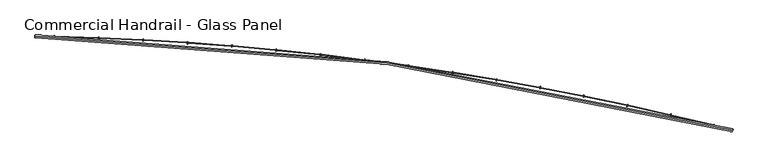
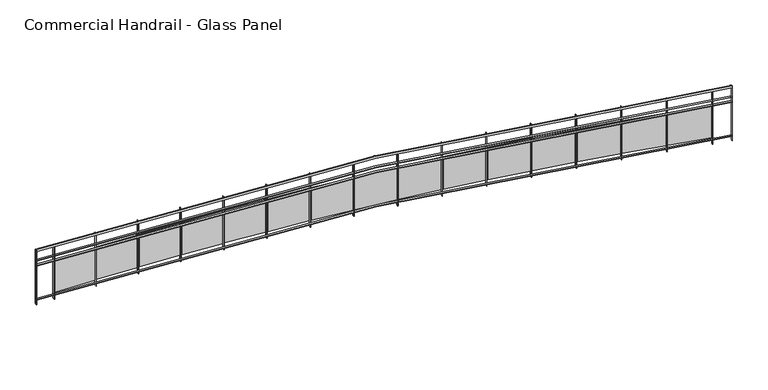
"""IFC4 building model written with IfcOpenShell, lengths in millimetres: railing geometry, Commercial Handrail - Glass Panel."""

from ifc_helpers import new_model, si_unit, point, frame, origin, place, context, project, spatial, polyline, circle_curve, ellipse_curve, trimmed, outline, extrude, source, transform, mapped, element, save
from ifc_brep_helpers import plane_surface, cylinder_surface, revolved_surface, advanced_brep


def commercial_handrail_glass_panel_f28d6970(model_context):
    return source(origin(), model_context, "Body", "SolidModel", [
        advanced_brep(
        [(127651.4463587, -32615.5815285, 19682.5), (140199.431702, -34306.4790783, 19682.5), (140199.431702, -34306.4790783, 19717.5), (127651.4463587, -32615.5815285, 19717.5)],
        [
            (0, 1, circle_curve(frame((126699.3049554, -87085.4645407, 19682.5), z_axis=(0.0, 0.0, -1.0), x_axis=(0.24780785186476648, 0.9688092013158061, 0.0)), 54478.2041611)),
            (1, 2, ellipse_curve(frame((140199.431702, -34306.4790783, 19700.0), z_axis=(-0.9688092013158076, 0.2478078518647603, 0.0), x_axis=(0.2478078518647603, 0.9688092013158076, 0.0)), 25.0, 17.5)),
            (2, 3, circle_curve(frame((126699.3049554, -87085.4645407, 19717.5), z_axis=(0.0, 0.0, 1.0), x_axis=(0.24780785186476648, 0.9688092013158061, 0.0)), 54478.2041611)),
            (3, 0, ellipse_curve(frame((127651.4463587, -32615.5815285, 19700.0), z_axis=(0.9998472572840302, -0.01747747411963002, 0.0), x_axis=(0.01747747411963002, 0.9998472572840302, 0.0)), 25.0, 17.5)),
            (2, 1, ellipse_curve(frame((140199.431702, -34306.4790783, 19700.0), z_axis=(-0.9688092013158076, 0.2478078518647603, 0.0), x_axis=(0.2478078518647603, 0.9688092013158076, 0.0)), 25.0, 17.5)),
            (0, 3, ellipse_curve(frame((127651.4463587, -32615.5815285, 19700.0), z_axis=(0.9998472572840302, -0.01747747411963002, 0.0), x_axis=(0.01747747411963002, 0.9998472572840302, 0.0)), 25.0, 17.5)),
        ],
        [
            revolved_surface(trimmed(ellipse_curve(frame((140199.431702, -34306.4790783, 19700.0), z_axis=(0.9688092013158061, -0.24780785186476648, 0.0), x_axis=(0.0, 0.0, -1.0)), 17.5, 25.0), [point((140199.431702, -34306.4790783, 19717.5))], [point((140199.431702, -34306.4790783, 19682.5))], True, "CARTESIAN"), (126699.3049554, -87085.4645407, 19700.0), (0.0, 0.0, 1.0)),
            revolved_surface(trimmed(ellipse_curve(frame((140199.431702, -34306.4790783, 19700.0), z_axis=(0.9688092013158061, -0.24780785186476648, 0.0), x_axis=(0.0, 0.0, -1.0)), 17.5, 25.0), [point((140199.431702, -34306.4790783, 19682.5))], [point((140199.431702, -34306.4790783, 19717.5))], True, "CARTESIAN"), (126699.3049554, -87085.4645407, 19700.0), (0.0, 0.0, 1.0)),
            plane_surface(frame((140199.431702, -34306.4790783, 19700.0), z_axis=(0.9688092013158061, -0.24780785186476648, 0.0), x_axis=(0.24780785186476648, 0.9688092013158061, 0.0))),
            plane_surface(frame((127651.4463587, -32615.5815285, 19700.0), z_axis=(-0.9998472572840302, 0.01747747411963012, 0.0), x_axis=(0.01747747411963012, 0.9998472572840302, 0.0))),
        ],
        [
            (0, [[1, 2, 3, 4]]),
            (1, [[-3, 5, -1, 6]]),
            (2, [[-2, -5]]),
            (3, [[-6, -4]]),
        ],
    ),
        advanced_brep(
        [(127651.0531155, -32638.0780917, 19500.0), (140193.8560253, -34328.2772853, 19500.0), (140205.0073787, -34284.6808712, 19500.0), (127651.8396019, -32593.0849652, 19500.0), (127651.0531155, -32638.0780917, 19494.0), (140193.8560253, -34328.2772853, 19494.0), (127651.8396019, -32593.0849652, 19494.0), (140205.0073787, -34284.6808712, 19494.0)],
        [
            (0, 1, circle_curve(frame((126699.3049554, -87085.4645407, 19500.0), z_axis=(0.0, 0.0, -1.0), x_axis=(0.24780785186476648, 0.9688092013158061, 0.0)), 54455.7041611)),
            (1, 2),
            (2, 3, circle_curve(frame((126699.3049554, -87085.4645407, 19500.0), z_axis=(0.0, 0.0, 1.0), x_axis=(0.24780785186476648, 0.9688092013158061, 0.0)), 54500.7041611)),
            (3, 0),
            (4, 5, circle_curve(frame((126699.3049554, -87085.4645407, 19494.0), z_axis=(0.0, 0.0, -1.0), x_axis=(0.24780785186476648, 0.9688092013158061, 0.0)), 54455.7041611)),
            (5, 1),
            (0, 4),
            (6, 7, circle_curve(frame((126699.3049554, -87085.4645407, 19494.0), z_axis=(0.0, 0.0, -1.0), x_axis=(0.24780785186476648, 0.9688092013158061, 0.0)), 54500.7041611)),
            (7, 5),
            (4, 6),
            (2, 7),
            (6, 3),
        ],
        [
            plane_surface(frame((126699.3049554, -87085.4645407, 19500.0), z_axis=(0.0, 0.0, 1.0000000000000002), x_axis=(0.24780785186476648, 0.9688092013158061, 0.0))),
            revolved_surface(polyline([(140193.85602534542, -34328.2772852949, 19500.0), (140193.85602534542, -34328.2772852949, 19494.0)]), (126699.3049554, -87085.4645407, 19500.0), (0.0, 0.0, 1.0)),
            plane_surface(frame((126699.3049554, -87085.4645407, 19494.0), z_axis=(0.0, 0.0, -1.0000000000000002), x_axis=(0.24780785186476648, 0.9688092013158061, 0.0))),
            cylinder_surface(frame((126699.3049554, -87085.4645407, 19500.0), z_axis=(0.0, 0.0, 1.0), x_axis=(0.24780785186476648, 0.9688092013158061, 0.0)), 54500.7041611),
            plane_surface(frame((140199.431702, -34306.4790783, 19500.0), z_axis=(0.9688092013158061, -0.24780785186476648, 0.0), x_axis=(0.24780785186476648, 0.9688092013158061, 0.0))),
            plane_surface(frame((127651.4463587, -32615.5815285, 19500.0), z_axis=(-0.9998472572840302, 0.01747747411963012, 0.0), x_axis=(0.01747747411963012, 0.9998472572840302, 0.0))),
        ],
        [
            (0, [[1, 2, 3, 4]]),
            (1, [[5, 6, -1, 7]]),
            (2, [[8, 9, -5, 10]]),
            (3, [[-3, 11, -8, 12]]),
            (4, [[-2, -6, -9, -11]]),
            (5, [[-12, -10, -7, -4]]),
        ],
    ),
        advanced_brep(
        [(127651.0531155, -32638.0780917, 19400.0), (140193.8560253, -34328.2772853, 19400.0), (140205.0073787, -34284.6808712, 19400.0), (127651.8396019, -32593.0849652, 19400.0), (127651.0531155, -32638.0780917, 19394.0), (140193.8560253, -34328.2772853, 19394.0), (127651.8396019, -32593.0849652, 19394.0), (140205.0073787, -34284.6808712, 19394.0)],
        [
            (0, 1, circle_curve(frame((126699.3049554, -87085.4645407, 19400.0), z_axis=(0.0, 0.0, -1.0), x_axis=(0.24780785186476648, 0.9688092013158061, 0.0)), 54455.7041611)),
            (1, 2),
            (2, 3, circle_curve(frame((126699.3049554, -87085.4645407, 19400.0), z_axis=(0.0, 0.0, 1.0), x_axis=(0.24780785186476648, 0.9688092013158061, 0.0)), 54500.7041611)),
            (3, 0),
            (4, 5, circle_curve(frame((126699.3049554, -87085.4645407, 19394.0), z_axis=(0.0, 0.0, -1.0), x_axis=(0.24780785186476648, 0.9688092013158061, 0.0)), 54455.7041611)),
            (5, 1),
            (0, 4),
            (6, 7, circle_curve(frame((126699.3049554, -87085.4645407, 19394.0), z_axis=(0.0, 0.0, -1.0), x_axis=(0.24780785186476648, 0.9688092013158061, 0.0)), 54500.7041611)),
            (7, 5),
            (4, 6),
            (2, 7),
            (6, 3),
        ],
        [
            plane_surface(frame((126699.3049554, -87085.4645407, 19400.0), z_axis=(0.0, 0.0, 1.0000000000000002), x_axis=(0.24780785186476648, 0.9688092013158061, 0.0))),
            revolved_surface(polyline([(140193.85602534542, -34328.2772852949, 19400.0), (140193.85602534542, -34328.2772852949, 19394.0)]), (126699.3049554, -87085.4645407, 19400.0), (0.0, 0.0, 1.0)),
            plane_surface(frame((126699.3049554, -87085.4645407, 19394.0), z_axis=(0.0, 0.0, -1.0000000000000002), x_axis=(0.24780785186476648, 0.9688092013158061, 0.0))),
            cylinder_surface(frame((126699.3049554, -87085.4645407, 19400.0), z_axis=(0.0, 0.0, 1.0), x_axis=(0.24780785186476648, 0.9688092013158061, 0.0)), 54500.7041611),
            plane_surface(frame((140199.431702, -34306.4790783, 19400.0), z_axis=(0.9688092013158061, -0.24780785186476648, 0.0), x_axis=(0.24780785186476648, 0.9688092013158061, 0.0))),
            plane_surface(frame((127651.4463587, -32615.5815285, 19400.0), z_axis=(-0.9998472572840302, 0.01747747411963012, 0.0), x_axis=(0.01747747411963012, 0.9998472572840302, 0.0))),
        ],
        [
            (0, [[1, 2, 3, 4]]),
            (1, [[5, 6, -1, 7]]),
            (2, [[8, 9, -5, 10]]),
            (3, [[-3, 11, -8, 12]]),
            (4, [[-2, -6, -9, -11]]),
            (5, [[-12, -10, -7, -4]]),
        ],
    ),
        advanced_brep(
        [(127651.0531155, -32638.0780917, 18700.0), (140193.8560253, -34328.2772853, 18700.0), (140205.0073787, -34284.6808712, 18700.0), (127651.8396019, -32593.0849652, 18700.0), (127651.0531155, -32638.0780917, 18694.0), (140193.8560253, -34328.2772853, 18694.0), (127651.8396019, -32593.0849652, 18694.0), (140205.0073787, -34284.6808712, 18694.0)],
        [
            (0, 1, circle_curve(frame((126699.3049554, -87085.4645407, 18700.0), z_axis=(0.0, 0.0, -1.0), x_axis=(0.24780785186476648, 0.9688092013158061, 0.0)), 54455.7041611)),
            (1, 2),
            (2, 3, circle_curve(frame((126699.3049554, -87085.4645407, 18700.0), z_axis=(0.0, 0.0, 1.0), x_axis=(0.24780785186476648, 0.9688092013158061, 0.0)), 54500.7041611)),
            (3, 0),
            (4, 5, circle_curve(frame((126699.3049554, -87085.4645407, 18694.0), z_axis=(0.0, 0.0, -1.0), x_axis=(0.24780785186476648, 0.9688092013158061, 0.0)), 54455.7041611)),
            (5, 1),
            (0, 4),
            (6, 7, circle_curve(frame((126699.3049554, -87085.4645407, 18694.0), z_axis=(0.0, 0.0, -1.0), x_axis=(0.24780785186476648, 0.9688092013158061, 0.0)), 54500.7041611)),
            (7, 5),
            (4, 6),
            (2, 7),
            (6, 3),
        ],
        [
            plane_surface(frame((126699.3049554, -87085.4645407, 18700.0), z_axis=(0.0, 0.0, 1.0000000000000002), x_axis=(0.24780785186476648, 0.9688092013158061, 0.0))),
            revolved_surface(polyline([(140193.85602534542, -34328.2772852949, 18700.0), (140193.85602534542, -34328.2772852949, 18694.0)]), (126699.3049554, -87085.4645407, 18700.0), (0.0, 0.0, 1.0)),
            plane_surface(frame((126699.3049554, -87085.4645407, 18694.0), z_axis=(0.0, 0.0, -1.0000000000000002), x_axis=(0.24780785186476648, 0.9688092013158061, 0.0))),
            cylinder_surface(frame((126699.3049554, -87085.4645407, 18700.0), z_axis=(0.0, 0.0, 1.0), x_axis=(0.24780785186476648, 0.9688092013158061, 0.0)), 54500.7041611),
            plane_surface(frame((140199.431702, -34306.4790783, 18700.0), z_axis=(0.9688092013158061, -0.24780785186476648, 0.0), x_axis=(0.24780785186476648, 0.9688092013158061, 0.0))),
            plane_surface(frame((127651.4463587, -32615.5815285, 18700.0), z_axis=(-0.9998472572840302, 0.01747747411963012, 0.0), x_axis=(0.01747747411963012, 0.9998472572840302, 0.0))),
        ],
        [
            (0, [[1, 2, 3, 4]]),
            (1, [[5, 6, -1, 7]]),
            (2, [[8, 9, -5, 10]]),
            (3, [[-3, 11, -8, 12]]),
            (4, [[-2, -6, -9, -11]]),
            (5, [[-12, -10, -7, -4]]),
        ],
    ),
        extrude(outline(polyline([(127999.9429631, -32600.2821162), (127998.871532, -32645.2693592), (127992.873233, -32645.1265018), (127993.944664, -32600.1392587), (127999.9429631, -32600.2821162)])), frame((0.0, 0.0, 18600.0), z_axis=(0.0, 0.0, 1.0), x_axis=(1.0, 0.0, 0.0)), (0.0, 0.0, 1.0), 1082.1192282),
        extrude(outline(polyline([(128775.8848547, -32651.5298851), (128016.2536473, -32627.856511), (128016.6274374, -32615.8623341), (128776.2586449, -32639.5357081), (128775.8848547, -32651.5298851)])), frame((0.0, 0.0, 18720.0), z_axis=(0.0, 0.0, 1.0), x_axis=(1.0, 0.0, 0.0)), (0.0, 0.0, 1.0), 660.0),
        extrude(outline(polyline([(128799.8764477, -32625.2555578), (128798.1445285, -32670.2222172), (128792.1489739, -32669.9912946), (128793.8808931, -32625.0246352), (128799.8764477, -32625.2555578)])), frame((0.0, 0.0, 18600.0), z_axis=(0.0, 0.0, 1.0), x_axis=(1.0, 0.0, 0.0)), (0.0, 0.0, 1.0), 1082.1192282),
        extrude(outline(polyline([(129574.982143, -32687.8919213), (128815.7804641, -32653.0664896), (128816.3303393, -32641.0790947), (129575.5320183, -32675.9045264), (129574.982143, -32687.8919213)])), frame((0.0, 0.0, 18720.0), z_axis=(0.0, 0.0, 1.0), x_axis=(1.0, 0.0, 0.0)), (0.0, 0.0, 1.0), 660.0),
        extrude(outline(polyline([(129599.3569679, -32661.9727253), (129596.964934, -32706.9091045), (129590.9734168, -32706.5901666), (129593.3654507, -32661.6537874), (129599.3569679, -32661.9727253)])), frame((0.0, 0.0, 18600.0), z_axis=(0.0, 0.0, 1.0), x_axis=(1.0, 0.0, 0.0)), (0.0, 0.0, 1.0), 1082.1192282),
        extrude(outline(polyline([(130373.4593242, -32735.9841766), (129614.850887, -32690.014197), (129615.5767288, -32678.0361691), (130374.185166, -32724.0061487), (130373.4593242, -32735.9841766)])), frame((0.0, 0.0, 18720.0), z_axis=(0.0, 0.0, 1.0), x_axis=(1.0, 0.0, 0.0)), (0.0, 0.0, 1.0), 660.0),
        extrude(outline(polyline([(130398.2121248, -32710.4257011), (130395.160492, -32755.3221101), (130389.1743042, -32754.9152257), (130392.2259369, -32710.0188167), (130398.2121248, -32710.4257011)])), frame((0.0, 0.0, 18600.0), z_axis=(0.0, 0.0, 1.0), x_axis=(1.0, 0.0, 0.0)), (0.0, 0.0, 1.0), 1082.1192282),
        extrude(outline(polyline([(131171.1442157, -32795.7962805), (130413.2926055, -32738.6916659), (130414.1942573, -32726.7255879), (131172.0458675, -32783.8302025), (131171.1442157, -32795.7962805)])), frame((0.0, 0.0, 18720.0), z_axis=(0.0, 0.0, 1.0), x_axis=(1.0, 0.0, 0.0)), (0.0, 0.0, 1.0), 660.0),
        extrude(outline(polyline([(131196.2696543, -32770.6040368), (131192.5590808, -32815.4507942), (131186.5795131, -32814.956051), (131190.2900867, -32770.1092937), (131196.2696543, -32770.6040368)])), frame((0.0, 0.0, 18600.0), z_axis=(0.0, 0.0, 1.0), x_axis=(1.0, 0.0, 0.0)), (0.0, 0.0, 1.0), 1082.1192282),
        extrude(outline(polyline([(131967.8648058, -32867.3153352), (131210.9334448, -32799.0883995), (131212.0107122, -32787.1368517), (131968.9420732, -32855.3637874), (131967.8648058, -32867.3153352)])), frame((0.0, 0.0, 18720.0), z_axis=(0.0, 0.0, 1.0), x_axis=(1.0, 0.0, 0.0)), (0.0, 0.0, 1.0), 660.0),
        extrude(outline(polyline([(131993.3574644, -32842.4947558), (131988.9887502, -32887.2821908), (131983.0170922, -32886.6996956), (131987.3858064, -32841.9122605), (131993.3574644, -32842.4947558)])), frame((0.0, 0.0, 18600.0), z_axis=(0.0, 0.0, 1.0), x_axis=(1.0, 0.0, 0.0)), (0.0, 0.0, 1.0), 1082.1192282),
        extrude(outline(polyline([(132763.4492907, -32950.5259183), (132007.6014025, -32871.191374), (132008.8540532, -32859.2569336), (132764.7019414, -32938.591478), (132763.4492907, -32950.5259183)])), frame((0.0, 0.0, 18720.0), z_axis=(0.0, 0.0, 1.0), x_axis=(1.0, 0.0, 0.0)), (0.0, 0.0, 1.0), 660.0),
        extrude(outline(polyline([(132789.3036722, -32926.0823555), (132784.2777594, -32970.8008103), (132778.3152988, -32970.1306886), (132783.3412116, -32925.4122338), (132789.3036722, -32926.0823555)])), frame((0.0, 0.0, 18600.0), z_axis=(0.0, 0.0, 1.0), x_axis=(1.0, 0.0, 0.0)), (0.0, 0.0, 1.0), 1082.1192282),
        extrude(outline(polyline([(133557.7261118, -33045.4100865), (132803.1246864, -32954.9850411), (132804.5524503, -32943.0702817), (133559.1538757, -33033.4953272), (133557.7261118, -33045.4100865)])), frame((0.0, 0.0, 18720.0), z_axis=(0.0, 0.0, 1.0), x_axis=(1.0, 0.0, 0.0)), (0.0, 0.0, 1.0), 660.0),
        extrude(outline(polyline([(133583.9366409, -33021.3488112), (133578.2546133, -33065.9886428), (133572.3026358, -33065.2310391), (133577.9846634, -33020.5912075), (133583.9366409, -33021.3488112)])), frame((0.0, 0.0, 18600.0), z_axis=(0.0, 0.0, 1.0), x_axis=(1.0, 0.0, 0.0)), (0.0, 0.0, 1.0), 1082.1192282),
        extrude(outline(polyline([(134350.5239922, -33151.9473791), (133597.3317509, -33050.4513317), (133598.93432, -33038.5588226), (134352.1265613, -33140.05487), (134350.5239922, -33151.9473791)])), frame((0.0, 0.0, 18720.0), z_axis=(0.0, 0.0, 1.0), x_axis=(1.0, 0.0, 0.0)), (0.0, 0.0, 1.0), 660.0),
        extrude(outline(polyline([(134377.085017, -33128.2735799), (134370.7480998, -33172.8251621), (134364.8078888, -33171.9802398), (134371.144806, -33127.4286576), (134377.085017, -33128.2735799)])), frame((0.0, 0.0, 18600.0), z_axis=(0.0, 0.0, 1.0), x_axis=(1.0, 0.0, 0.0)), (0.0, 0.0, 1.0), 1082.1192282),
        extrude(outline(polyline([(135141.671974, -33270.1148225), (134390.0513341, -33157.5696596), (134391.828363, -33145.7019653), (135143.4490029, -33258.2471282), (135141.671974, -33270.1148225)])), frame((0.0, 0.0, 18720.0), z_axis=(0.0, 0.0, 1.0), x_axis=(1.0, 0.0, 0.0)), (0.0, 0.0, 1.0), 660.0),
        extrude(outline(polyline([(135168.5777669, -33246.8336043), (135161.5873266, -33291.2873302), (135155.6601632, -33290.3552715), (135162.6506034, -33245.9015456), (135168.5777669, -33246.8336043)])), frame((0.0, 0.0, 18600.0), z_axis=(0.0, 0.0, 1.0), x_axis=(1.0, 0.0, 0.0)), (0.0, 0.0, 1.0), 1082.1192282),
        extrude(outline(polyline([(135930.9994552, -33399.8869352), (135181.1124952, -33276.3169259), (135183.0636006, -33264.4766055), (135932.9505607, -33388.0466148), (135930.9994552, -33399.8869352)])), frame((0.0, 0.0, 18720.0), z_axis=(0.0, 0.0, 1.0), x_axis=(1.0, 0.0, 0.0)), (0.0, 0.0, 1.0), 660.0),
        extrude(outline(polyline([(135958.2442142, -33377.0033185), (135950.6017583, -33421.3496021), (135944.6889205, -33420.330608), (135952.3313764, -33375.9843244), (135958.2442142, -33377.0033185)])), frame((0.0, 0.0, 18600.0), z_axis=(0.0, 0.0, 1.0), x_axis=(1.0, 0.0, 0.0)), (0.0, 0.0, 1.0), 1082.1192282),
        extrude(outline(polyline([(136718.3362263, -33541.2357335), (135970.3446508, -33406.6675242), (135972.469412, -33394.8571309), (136720.4609875, -33529.4253402), (136718.3362263, -33541.2357335)])), frame((0.0, 0.0, 18720.0), z_axis=(0.0, 0.0, 1.0), x_axis=(1.0, 0.0, 0.0)), (0.0, 0.0, 1.0), 660.0),
        extrude(outline(polyline([(136745.9140764, -33518.7546527), (136737.6212529, -33562.9839312), (136731.7240157, -33561.8782214), (136740.0168393, -33517.6489429), (136745.9140764, -33518.7546527)])), frame((0.0, 0.0, 18600.0), z_axis=(0.0, 0.0, 1.0), x_axis=(1.0, 0.0, 0.0)), (0.0, 0.0, 1.0), 1082.1192282),
        extrude(outline(polyline([(137503.512507, -33694.1307369), (136757.5776119, -33548.5933458), (136759.8755707, -33536.8154264), (137505.8104658, -33682.3528175), (137503.512507, -33694.1307369)])), frame((0.0, 0.0, 18720.0), z_axis=(0.0, 0.0, 1.0), x_axis=(1.0, 0.0, 0.0)), (0.0, 0.0, 1.0), 660.0),
        extrude(outline(polyline([(137531.4175014, -33672.0570399), (137522.4760984, -33716.1597758), (137516.5957336, -33714.9675887), (137525.5371366, -33670.8648528), (137531.4175014, -33672.0570399)])), frame((0.0, 0.0, 18600.0), z_axis=(0.0, 0.0, 1.0), x_axis=(1.0, 0.0, 0.0)), (0.0, 0.0, 1.0), 1082.1192282),
        extrude(outline(polyline([(138286.358983, -33858.5389754), (137542.6416206, -33702.063786), (137545.1122815, -33690.3208803), (138288.8296439, -33846.7960697), (138286.358983, -33858.5389754)])), frame((0.0, 0.0, 18720.0), z_axis=(0.0, 0.0, 1.0), x_axis=(1.0, 0.0, 0.0)), (0.0, 0.0, 1.0), 660.0),
        extrude(outline(polyline([(138314.5851042, -33836.8774222), (138304.99705, -33880.8441052), (138299.1348256, -33879.5656979), (138308.7228798, -33835.5990149), (138314.5851042, -33836.8774222)])), frame((0.0, 0.0, 18600.0), z_axis=(0.0, 0.0, 1.0), x_axis=(1.0, 0.0, 0.0)), (0.0, 0.0, 1.0), 1082.1192282),
        extrude(outline(polyline([(139066.7068423, -34034.4249963), (138325.3673869, -33867.0457507), (138328.0102171, -33855.3403909), (139069.3496725, -34022.7196365), (139066.7068423, -34034.4249963)])), frame((0.0, 0.0, 18720.0), z_axis=(0.0, 0.0, 1.0), x_axis=(1.0, 0.0, 0.0)), (0.0, 0.0, 1.0), 660.0),
        extrude(outline(polyline([(139095.2480037, -34013.1802579), (139085.0153658, -34057.0014071), (139079.1725459, -34055.6370554), (139089.4051838, -34011.8159061), (139095.2480037, -34013.1802579)])), frame((0.0, 0.0, 18600.0), z_axis=(0.0, 0.0, 1.0), x_axis=(1.0, 0.0, 0.0)), (0.0, 0.0, 1.0), 1082.1192282),
        extrude(outline(polyline([(139844.3878118, -34221.7508718), (139105.5861248, -34043.5036633), (139108.4005544, -34031.8383735), (139847.2022414, -34210.085582), (139844.3878118, -34221.7508718)])), frame((0.0, 0.0, 18720.0), z_axis=(0.0, 0.0, 1.0), x_axis=(1.0, 0.0, 0.0)), (0.0, 0.0, 1.0), 660.0),
        extrude(outline(polyline([(139873.2378588, -34200.9275293), (139862.3628437, -34244.5936952), (139856.5406882, -34243.1436932), (139867.4157033, -34199.4775273), (139873.2378588, -34200.9275293)])), frame((0.0, 0.0, 18600.0), z_axis=(0.0, 0.0, 1.0), x_axis=(1.0, 0.0, 0.0)), (0.0, 0.0, 1.0), 1082.1192282),
        extrude(outline(polyline([(127654.8391437, -32593.1373976), (127654.0526573, -32638.1305242), (127648.0535738, -32638.0256593), (127648.8400601, -32593.0325327), (127654.8391437, -32593.1373976)])), frame((0.0, 0.0, 18600.0), z_axis=(0.0, 0.0, 1.0), x_axis=(1.0, 0.0, 0.0)), (0.0, 0.0, 1.0), 1082.1192282),
        extrude(outline(polyline([(140207.9138063, -34285.4242948), (140196.7624529, -34329.0207088), (140190.9495977, -34327.5338617), (140202.1009511, -34283.9374477), (140207.9138063, -34285.4242948)])), frame((0.0, 0.0, 18600.0), z_axis=(0.0, 0.0, 1.0), x_axis=(1.0, 0.0, 0.0)), (0.0, 0.0, 1.0), 1082.1192282),
    ])


if __name__ == "__main__":
    model = new_model("IFC4")
    model_context = context("Model", 3, world=origin())
    ifc_project = project(units=[si_unit("LENGTHUNIT", "METRE", prefix="MILLI")], contexts=[model_context])
    site = spatial("IfcSite", under=ifc_project)
    building = spatial("IfcBuilding", under=site)
    placement = place(None, origin())
    commercial_handrail_glass_panel_shape = commercial_handrail_glass_panel_f28d6970(model_context)
    element("IfcRailing", 1, ObjectType="Commercial Handrail - Glass Panel", at=placement, inside=building, context=model_context, shape_type="MappedRepresentation", body=[
        mapped(commercial_handrail_glass_panel_shape, transform((0.0, 0.0, 0.0), x_axis=(1.0, 0.0, 0.0), y_axis=(0.0, 1.0, 0.0), z_axis=(0.0, 0.0, 1.0))),
    ])
    save(model, "model.ifc")
